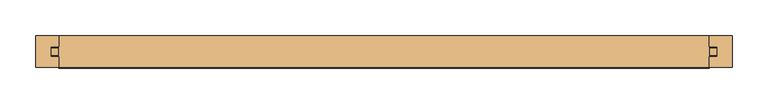
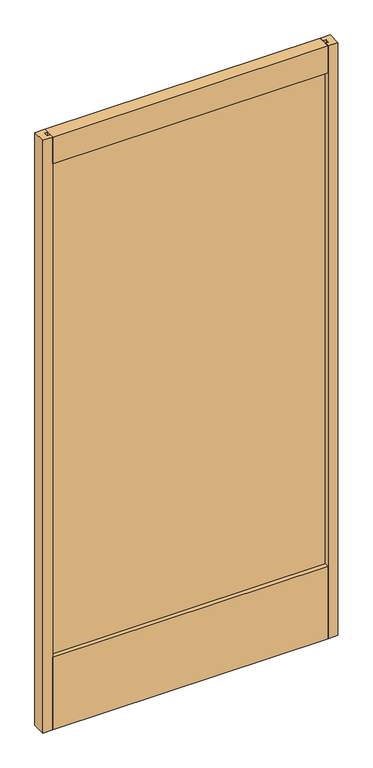
"""IFC4 building model written with IfcOpenShell, lengths in millimetres: door geometry."""

import ifcopenshell
import ifcopenshell.guid

model = None  # the IFC model being written
_history = None  # IfcOwnerHistory: only IFC2X3 demands one
_inside = {}  # id of a spatial element -> (the spatial element, [elements in it])
_under = {}  # id of a project, library or spatial element -> (it, [spatial elements below it])
_declared = {}  # id of a project -> (the project, [libraries it declares])
_typed = {}  # id of a type object -> (the type object, [elements of that type])
_made_of = {}  # id of a material, layer set ... -> (it, [elements and type objects made of it])


def new_model(schema):
    """Start an empty IFC model of exactly this schema.

    Asked for "IFC4X3", IfcOpenShell would pick the latest addendum, in which some entities
    have other attributes; the version numbers below select the first issue.
    IFC2X3 requires an IfcOwnerHistory on every rooted entity: one is made here for all.
    """
    global model, _history
    if schema == "IFC4X3":
        model = ifcopenshell.file(schema_version=(4, 3, 0, 0))
    else:
        model = ifcopenshell.file(schema=schema)
    _inside.clear()
    _under.clear()
    _declared.clear()
    _typed.clear()
    _made_of.clear()
    _history = None
    if model.schema == "IFC2X3":
        org = make("IfcOrganization", Name="unknown")
        user = make(
            "IfcPersonAndOrganization",
            ThePerson=make("IfcPerson", FamilyName="unknown"),
            TheOrganization=org,
        )
        app = make(
            "IfcApplication",
            ApplicationDeveloper=org,
            Version="unknown",
            ApplicationFullName="unknown",
            ApplicationIdentifier="unknown",
        )
        _history = make(
            "IfcOwnerHistory",
            OwningUser=user,
            OwningApplication=app,
            ChangeAction="ADDED",
            CreationDate=0,
        )
    return model


def make(cls, **values):
    """One entity of the class cls with the attributes given. An attribute that is None is left unset."""
    return model.create_entity(
        cls, **{name: value for name, value in values.items() if value is not None}
    )


def rooted(cls, **values):
    """An entity with a GlobalId (a new one), such as an element, a storey or a relation."""
    return make(cls, GlobalId=ifcopenshell.guid.new(), OwnerHistory=_history, **values)


def si_unit(unit_type, name, prefix=None):
    """IfcSIUnit, for example si_unit("LENGTHUNIT", "METRE", prefix="MILLI")."""
    return make("IfcSIUnit", UnitType=unit_type, Prefix=prefix, Name=name)


def assignment(units):
    """IfcUnitAssignment: the units of a project."""
    return None if units is None else make("IfcUnitAssignment", Units=units)


def point(xyz):
    """IfcCartesianPoint."""
    return None if xyz is None else make("IfcCartesianPoint", Coordinates=xyz)


def direction(xyz):
    """IfcDirection."""
    return None if xyz is None else make("IfcDirection", DirectionRatios=xyz)


def frame(location, z_axis=None, x_axis=None):
    """IfcAxis2Placement3D, a coordinate frame: its origin and axes. An axis left out is left unset."""
    return make(
        "IfcAxis2Placement3D",
        Location=point(location),
        Axis=direction(z_axis),
        RefDirection=direction(x_axis),
    )


def origin():
    """The frame at (0, 0, 0) with its axes left unset."""
    return frame((0.0, 0.0, 0.0))


def place(relative_to, where):
    """IfcLocalPlacement: puts the frame where relative to a parent placement (None: the world)."""
    return make(
        "IfcLocalPlacement", PlacementRelTo=relative_to, RelativePlacement=where
    )


def context(
    kind, dimensions, precision=None, world=None, true_north=None, identifier=None
):
    """IfcGeometricRepresentationContext, for example the 3D "Model" context."""
    return make(
        "IfcGeometricRepresentationContext",
        ContextIdentifier=identifier,
        ContextType=kind,
        CoordinateSpaceDimension=dimensions,
        Precision=precision,
        WorldCoordinateSystem=world,
        TrueNorth=true_north,
    )


def project(units=None, contexts=None):
    """IfcProject with its units and contexts."""
    return rooted(
        "IfcProject",
        Name="project",
        RepresentationContexts=contexts,
        UnitsInContext=assignment(units),
    )


def spatial(cls, under=None, at=None, **own):
    """A site, building, storey or space (cls), placed at a placement, below another one or the project."""
    s = rooted(cls, ObjectPlacement=at, **own)
    if under is not None:
        _under.setdefault(under.id(), (under, []))[1].append(s)
    return s


def polyline(points):
    """IfcPolyline through the points."""
    return make("IfcPolyline", Points=[point(p) for p in points])


def outline(outer, holes=None, kind="AREA"):
    """IfcArbitraryClosedProfileDef: a profile drawn as a closed curve; with holes, ...WithVoids."""
    if holes is None:
        return make("IfcArbitraryClosedProfileDef", ProfileType=kind, OuterCurve=outer)
    return make(
        "IfcArbitraryProfileDefWithVoids",
        ProfileType=kind,
        OuterCurve=outer,
        InnerCurves=holes,
    )


def extrude(swept, where, along, depth):
    """IfcExtrudedAreaSolid: the profile swept, set in the frame where, extruded along a direction by depth."""
    return make(
        "IfcExtrudedAreaSolid",
        SweptArea=swept,
        Position=where,
        ExtrudedDirection=direction(along),
        Depth=depth,
    )


def shape(context_of_items, identifier, shape_type, items):
    """IfcShapeRepresentation: the items that make up one representation, for example the "Body"."""
    return make(
        "IfcShapeRepresentation",
        ContextOfItems=context_of_items,
        RepresentationIdentifier=identifier,
        RepresentationType=shape_type,
        Items=items,
    )


def source(mapping_origin, context_of_items, identifier, shape_type, items):
    """IfcRepresentationMap: a shape defined once, which mapped items show again and again."""
    return make(
        "IfcRepresentationMap",
        MappingOrigin=mapping_origin,
        MappedRepresentation=shape(context_of_items, identifier, shape_type, items),
    )


def transform(
    local_origin,
    x_axis=None,
    y_axis=None,
    z_axis=None,
    scale=None,
    scale2=None,
    scale3=None,
    uniform=True,
):
    """IfcCartesianTransformationOperator3D, or its non-uniform kind. x_axis, y_axis, z_axis: its Axis1, 2, 3."""
    if uniform:
        return make(
            "IfcCartesianTransformationOperator3D",
            Axis1=direction(x_axis),
            Axis2=direction(y_axis),
            LocalOrigin=point(local_origin),
            Scale=scale,
            Axis3=direction(z_axis),
        )
    return make(
        "IfcCartesianTransformationOperator3DnonUniform",
        Axis1=direction(x_axis),
        Axis2=direction(y_axis),
        LocalOrigin=point(local_origin),
        Scale=scale,
        Axis3=direction(z_axis),
        Scale2=scale2,
        Scale3=scale3,
    )


def mapped(mapping_source, mapping_target):
    """IfcMappedItem: shows the shape of a source again, moved by a transform."""
    return make(
        "IfcMappedItem", MappingSource=mapping_source, MappingTarget=mapping_target
    )


def made_of(thing, what):
    """Note that an element or type object is made of a material, layer set ...; save() writes the relation."""
    if what is not None:
        _made_of.setdefault(what.id(), (what, []))[1].append(thing)
    return thing


def element(
    cls,
    number,
    at=None,
    inside=None,
    cuts=None,
    type_object=None,
    material=None,
    context=None,
    identifier="Body",
    shape_type=None,
    held_by="IfcProductDefinitionShape",
    body=None,
    shapes=None,
    **own,
):
    """One element of the class cls, such as IfcWall. Its Tag is "e" and its number.

    at: its placement. inside: the storey or other place that contains it. cuts: it is an
    opening in that element (IfcRelVoidsElement). A single representation is given by context,
    identifier, shape_type and body (its items); several are given by shapes. held_by: the class
    of the entity that holds the representations. save() writes the other relations.
    """
    e = rooted(cls, Tag="e%d" % number, ObjectPlacement=at, **own)
    if body is not None:
        shapes = [shape(context, identifier, shape_type, body)]
    if shapes is not None:
        e.Representation = make(held_by, Representations=shapes)
    if inside is not None:
        _inside.setdefault(inside.id(), (inside, []))[1].append(e)
    if cuts is not None:
        rooted(
            "IfcRelVoidsElement", RelatingBuildingElement=cuts, RelatedOpeningElement=e
        )
    if type_object is not None:
        _typed.setdefault(type_object.id(), (type_object, []))[1].append(e)
    return made_of(e, material)


def aggregate(whole, parts):
    """IfcRelAggregates: a whole, such as a stair, and the parts it consists of."""
    return rooted("IfcRelAggregates", RelatingObject=whole, RelatedObjects=parts)


def save(model, path):
    """Write the relations noted so far, then the file.

    IfcRelAggregates (storeys below a building ...), IfcRelContainedInSpatialStructure (elements
    in a storey), IfcRelDefinesByType, IfcRelAssociatesMaterial and IfcRelDeclares: one each for
    every whole, place, type object, material and project.
    """
    for whole, parts in _under.values():
        aggregate(whole, parts)
    for where, things in _inside.values():
        rooted(
            "IfcRelContainedInSpatialStructure",
            RelatedElements=things,
            RelatingStructure=where,
        )
    for kind, things in _typed.values():
        rooted("IfcRelDefinesByType", RelatedObjects=things, RelatingType=kind)
    for what, things in _made_of.values():
        rooted("IfcRelAssociatesMaterial", RelatedObjects=things, RelatingMaterial=what)
    for by, libraries in _declared.values():
        rooted("IfcRelDeclares", RelatingContext=by, RelatedDefinitions=libraries)
    model.write(path)


def door_d4792f1f(model_context):
    return source(origin(), model_context, "Body", "SweptSolid", [
        extrude(outline(polyline([(468.8664326, -5.0038), (-468.8664326, -5.0038), (-468.8664326, 5.0038), (468.8664326, 5.0038), (468.8664326, -5.0038)])), frame((0.0, 0.0, 95.25), z_axis=(0.0, 0.0, 1.0), x_axis=(1.0, 0.0, 0.0)), (0.0, 0.0, 1.0), 1916.1635027),
        extrude(outline(polyline([(-490.4564326, -22.225), (-490.4564326, 22.225), (-457.4364326, 22.225), (-457.4364326, 7.239), (-468.8664326, 7.239), (-468.8664326, -7.239), (-457.4364326, -7.239), (-457.4364326, -22.225), (-490.4564326, -22.225)])), frame((0.0, 0.0, 12.7), z_axis=(0.0, 0.0, 1.0), x_axis=(1.0, 0.0, 0.0)), (0.0, 0.0, 1.0), 2081.2635027),
        extrude(outline(polyline([(490.4564326, -22.225), (457.4364326, -22.225), (457.4364326, -7.239), (468.8664326, -7.239), (468.8664326, 7.239), (457.4364326, 7.239), (457.4364326, 22.225), (490.4564326, 22.225), (490.4564326, -22.225)])), frame((0.0, 0.0, 12.7), z_axis=(0.0, 0.0, 1.0), x_axis=(1.0, 0.0, 0.0)), (0.0, 0.0, 1.0), 2081.2635027),
        extrude(outline(polyline([(-22.733, 12.7), (-22.733, 266.7), (-7.239, 266.7), (-7.239, 255.27), (7.239, 255.27), (7.239, 266.7), (22.733, 266.7), (22.733, 12.7), (-22.733, 12.7)])), frame((-457.4364326, 0.0, 0.0), z_axis=(1.0, 0.0, 0.0), x_axis=(0.0, 1.0, 0.0)), (0.0, 0.0, 1.0), 914.8728651),
        extrude(outline(polyline([(22.225, 2093.9635027), (22.225, 1999.9835027), (6.731, 1999.9835027), (6.731, 2011.4135027), (-6.731, 2011.4135027), (-6.731, 1999.9835027), (-22.225, 1999.9835027), (-22.225, 2093.9635027), (22.225, 2093.9635027)])), frame((-457.4364326, 0.0, 0.0), z_axis=(1.0, 0.0, 0.0), x_axis=(0.0, 1.0, 0.0)), (0.0, 0.0, 1.0), 914.8728651),
    ])


if __name__ == "__main__":
    model = new_model("IFC4")
    model_context = context("Model", 3, world=origin())
    ifc_project = project(units=[si_unit("LENGTHUNIT", "METRE", prefix="MILLI")], contexts=[model_context])
    site = spatial("IfcSite", under=ifc_project)
    building = spatial("IfcBuilding", under=site)
    placement = place(None, origin())
    door_shape = door_d4792f1f(model_context)
    element("IfcDoor", 1, at=placement, inside=building, context=model_context, shape_type="MappedRepresentation", body=[
        mapped(door_shape, transform((0.0, 0.0, 0.0), x_axis=(1.0, 0.0, 0.0), y_axis=(0.0, 1.0, 0.0), z_axis=(0.0, 0.0, 1.0))),
    ])
    save(model, "model.ifc")
